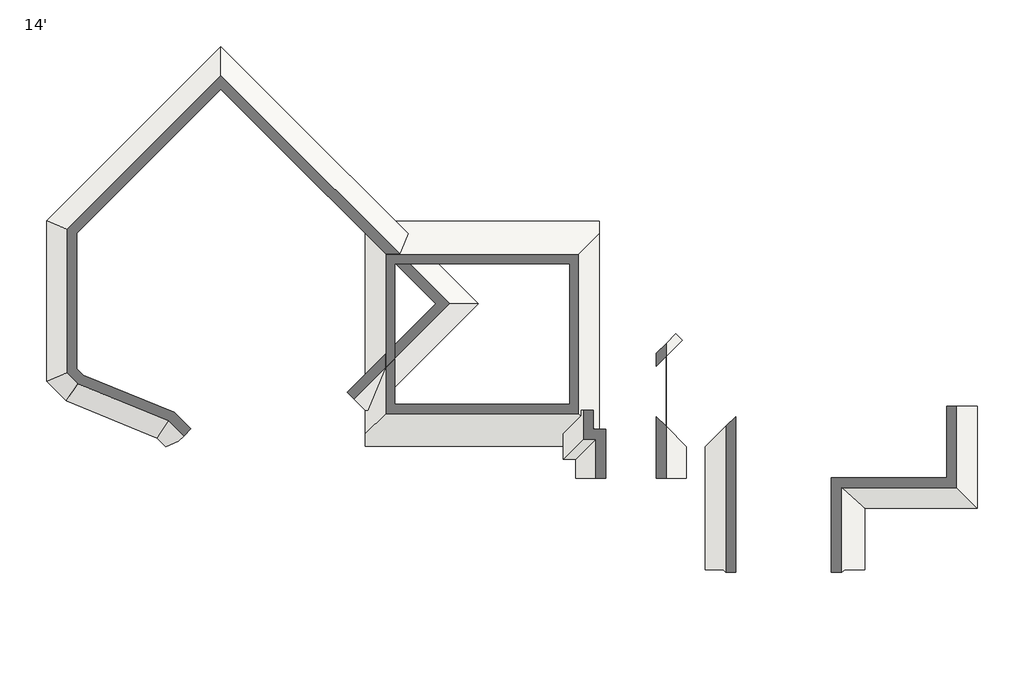
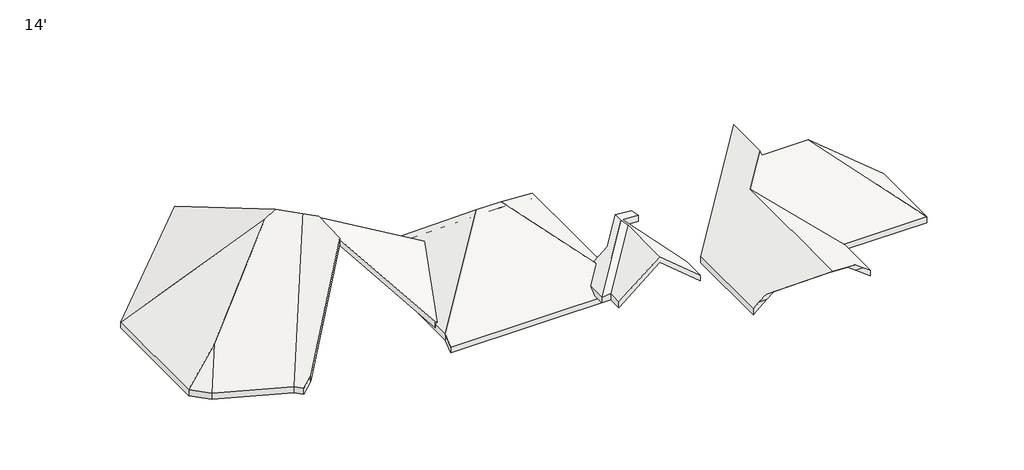
# One storey: 4 roofs.
"""IFC4 building model written with IfcOpenShell, lengths in millimetres."""

from ifc_helpers import new_model, si_unit, origin, place, context, project, spatial, faceted_brep, element, save

model = new_model("IFC4")

# Units and contexts
model_context = context("Model", 3, world=origin())
ifc_project = project(units=[si_unit("LENGTHUNIT", "METRE", prefix="MILLI")], contexts=[model_context])

# Site, building, storey
site = spatial("IfcSite", under=ifc_project)
building = spatial("IfcBuilding", under=site)
storey = spatial("IfcBuildingStorey", under=building, Name="14'", Elevation=4267.2)

# Roofs
placement = place(None, origin())
element("IfcRoof", 1, ObjectType="Generic - 12\"", at=placement, inside=storey, context=model_context, shape_type="Brep", body=[
    faceted_brep([(-20651.0139332, -5570.8700986, 4267.2), (-20651.0139332, -6180.4700986, 3759.2), (-31827.0139332, -6180.4700986, 3759.2), (-31827.0139332, -5570.8700986, 4267.2), (-27051.8139332, -795.6700986, 8246.5333333), (-25426.2139332, -795.6700986, 8246.5333333), (-20651.0139332, 3979.5299014, 4267.2), (-31827.0139332, 3979.5299014, 4267.2), (-20651.0139332, 4589.1299014, 3759.2), (-31827.0139332, 4589.1299014, 3759.2), (-20651.0139332, -6180.4700986, 4155.9606835), (-20651.0139332, -5570.8700986, 4663.9606835), (-25426.2139332, -795.6700986, 8643.2940169), (-27051.8139332, -795.6700986, 8643.2940169), (-31827.0139332, -5570.8700986, 4663.9606835), (-31827.0139332, -6180.4700986, 4155.9606835), (-20651.0139332, 3979.5299014, 4663.9606835), (-31827.0139332, 3979.5299014, 4663.9606835), (-20651.0139332, 4589.1299014, 4155.9606835), (-31827.0139332, 4589.1299014, 4155.9606835)], [[[0, 1, 2, 3, 4, 5]], [[0, 5, 6]], [[7, 4, 3]], [[8, 6, 5, 4, 7, 9]], [[10, 11, 12, 13, 14, 15]], [[11, 16, 12]], [[17, 14, 13]], [[16, 18, 19, 17, 13, 12]], [[6, 16, 11, 0]], [[9, 19, 18, 8]], [[3, 14, 17, 7]], [[1, 10, 15, 2]], [[17, 19, 9, 7]], [[11, 10, 1, 0]], [[18, 16, 6, 8]], [[15, 14, 3, 2]]]),
])
element("IfcRoof", 2, ObjectType="Generic - 12\"", at=placement, inside=storey, context=model_context, shape_type="Brep", body=[
    faceted_brep([(-10491.0139332, -1108.3380854, 8500.4731011), (-10491.0139332, -4035.8252652, 8500.4731011), (-11961.5022076, -5506.3135396, 7275.0662058), (-11961.5022076, -14353.8877038, 7275.0662058), (-14241.3888343, -12074.0010771, 5375.1606835), (-14717.5016546, -12074.0010771, 4978.4), (-15570.9416546, -12074.0010771, 4267.2), (-15570.9416546, -6188.2658068, 4267.2), (-2585.1267535, -4250.0700986, 4267.2), (-2585.1267535, -9115.7529866, 4267.2), (-7450.8096414, -4250.0700986, 8321.93574), (-7951.0139332, -9115.7529866, 4267.2), (-10491.0139332, -4250.0700986, 8321.93574), (-10491.0139332, -1108.3380854, 8897.2337847), (-15570.9416546, -6188.2658068, 4663.9606835), (-15570.9416546, -12074.0010771, 4663.9606835), (-15193.6144748, -12074.0010771, 4978.4), (-14717.5016546, -12074.0010771, 5375.1606835), (-11971.4563235, -14820.0464081, 7663.5317927), (-11971.4563235, -5516.2676555, 7663.5317927), (-10491.0139332, -4035.8252652, 8897.2337847), (-2566.2139332, -9134.6658068, 4648.2), (-2566.2139332, -4250.0700986, 4648.2), (-7450.8096414, -4250.0700986, 8718.6964235), (-7951.0139332, -9134.6658068, 4648.2), (-10491.0139332, -4250.0700986, 8718.6964235), (-2566.2139332, -9134.6658068, 4267.2), (-7951.0139332, -9134.6658068, 4267.2), (-2566.2139332, -4250.0700986, 4267.2), (-7951.0139332, -12074.0010771, 4267.2), (-8899.2805999, -12074.0010771, 4978.4), (-9428.2948446, -12074.0010771, 5375.1606835), (-7951.0139332, -12074.0010771, 4648.2), (-8920.2948446, -12074.0010771, 5375.1606835), (-8391.2805999, -12074.0010771, 4978.4)], [[[0, 1, 2, 3, 4, 5, 6, 7]], [[8, 9, 10]], [[9, 11, 2, 1, 12, 10]], [[13, 14, 15, 16, 17, 18, 19, 20]], [[21, 22, 23]], [[24, 21, 23, 25, 20, 19]], [[26, 21, 24, 27]], [[28, 22, 21, 26]], [[6, 15, 14, 7]], [[11, 27, 29, 30, 31, 3, 2]], [[32, 24, 19, 18, 33, 34]], [[27, 24, 32, 29]], [[28, 26, 27, 11, 9, 8]], [[16, 15, 6, 5]], [[32, 34, 30, 29]], [[34, 33, 31, 30]], [[33, 18, 17, 4, 3, 31]], [[17, 16, 5, 4]], [[25, 23, 22, 28, 8, 10, 12]], [[14, 13, 0, 7]], [[13, 20, 25, 12, 1, 0]]]),
])
element("IfcRoof", 3, ObjectType="Generic - 12\"", at=placement, inside=storey, context=model_context, shape_type="Brep", body=[
    faceted_brep([(-16485.4139332, -7711.8324662, 4267.2), (-19127.0139332, -7711.8324662, 6468.5333333), (-19127.0139332, -4155.8324662, 6468.5333333), (-19431.8139332, -3851.0324662, 6722.5333333), (-19431.8139332, -3241.4324662, 6722.5333333), (-16993.4139332, -803.0324662, 4690.5333333), (-16688.3972629, -1108.0491365, 4436.3527748), (-19127.0139332, -3546.6658068, 6468.5333333), (-16485.4139332, -6188.2658068, 4267.2), (-22378.2139332, -4460.6324662, 4267.2), (-20651.0139332, -4460.6324662, 5706.5333333), (-22378.2139332, -6797.4324662, 4267.2), (-21768.6139332, -6797.4324662, 4267.2), (-21768.6139332, -7711.8324662, 4267.2), (-16485.4139332, -7711.8324662, 4663.9606835), (-16485.4139332, -6188.2658068, 4663.9606835), (-19127.0139332, -3546.6658068, 6865.2940169), (-16688.3972629, -1108.0491365, 4833.1134583), (-16993.4139332, -803.0324662, 5087.2940169), (-19431.8139332, -3241.4324662, 7119.2940169), (-19431.8139332, -3851.0324662, 7119.2940169), (-19127.0139332, -4155.8324662, 6865.2940169), (-19127.0139332, -7711.8324662, 6865.2940169), (-20651.0139332, -4460.6324662, 6103.2940169), (-22378.2139332, -4460.6324662, 4663.9606835), (-22378.2139332, -6797.4324662, 4663.9606835), (-21768.6139332, -6797.4324662, 4663.9606835), (-21768.6139332, -7711.8324662, 4663.9606835)], [[[0, 1, 2, 3, 4, 5, 6, 7, 8]], [[9, 10, 4, 3, 11]], [[12, 11, 3, 2]], [[13, 12, 2, 1]], [[14, 15, 16, 17, 18, 19, 20, 21, 22]], [[23, 24, 25, 20, 19]], [[25, 26, 21, 20]], [[27, 22, 21, 26]], [[11, 25, 24, 9]], [[12, 26, 25, 11]], [[13, 27, 26, 12]], [[8, 15, 14, 0]], [[16, 15, 8, 7]], [[17, 16, 7, 6]], [[18, 17, 6, 5]], [[23, 19, 18, 5, 4, 10]], [[24, 23, 10, 9]], [[14, 22, 27, 13, 1, 0]]]),
])
element("IfcRoof", 4, ObjectType="Generic - 12\"", at=placement, inside=storey, context=model_context, shape_type="Brep", body=[
    faceted_brep([(-36920.2906988, 632.6442994, 10449.2893548), (-36933.9093456, 646.2629462, 10449.2893548), (-36787.9720193, 107.6087324, 10680.7), (-37437.769016, 757.4057291, 10680.7), (-38733.2181275, 1619.4223057, 10936.1025705), (-38733.2181275, 12936.9252592, 4267.2), (-26428.9371676, 632.6442994, 4267.2), (-39494.4839309, 1466.4848251, 10577.6416686), (-47067.0139332, 4603.1294535, 4267.2), (-36933.9093456, 646.2629462, 10846.0500383), (-36920.2906988, 632.6442994, 10846.0500383), (-26428.9371676, 632.6442994, 4663.9606835), (-38733.2181275, 12936.9252592, 4663.9606835), (-38733.2181275, 1619.4223057, 11332.863254), (-37437.769016, 757.4057291, 11077.4606835), (-36787.9720193, 107.6087324, 11077.4606835), (-47067.0139332, 4603.1294535, 4663.9606835), (-39494.4839309, 1466.4848251, 10974.4023522), (-31522.2139332, -4460.6324662, 4663.9606835), (-31827.0139332, -4460.6324662, 4843.565806), (-31827.0139332, -4460.6324662, 4446.8051224), (-31522.2139332, -4460.6324662, 4267.2), (-47067.0139332, -3055.151126, 4267.2), (-44889.1877388, -2153.0659797, 6082.055162), (-46119.7679723, -4002.3970869, 4267.2), (-41786.5052086, -5777.9284971, 4267.2), (-41379.2136526, -6185.2200531, 4267.2), (-36349.1137929, -1512.2156057, 9984.8090451), (-40769.6136526, -5932.7154655, 4775.2), (-47067.0139332, -3055.151126, 4663.9606835), (-46119.7679723, -4002.3970869, 4663.9606835), (-44889.1877388, -2153.0659797, 6478.8158455), (-41786.5052086, -5777.9284971, 4663.9606835), (-41379.2136526, -6185.2200531, 4663.9606835), (-40769.6136526, -5932.7154655, 5171.9606835), (-36349.1137929, -1512.2156057, 10381.5697286)], [[[0, 1, 2, 3, 4, 5, 6]], [[5, 4, 7, 8]], [[9, 10, 11, 12, 13, 14, 15]], [[12, 16, 17, 13]], [[5, 12, 11, 6]], [[8, 16, 12, 5]], [[18, 19, 20, 21]], [[21, 20, 0, 6]], [[19, 18, 11, 10]], [[6, 11, 18, 21]], [[19, 10, 9, 1, 0, 20]], [[22, 23, 24]], [[24, 23, 7, 4, 3, 25]], [[8, 7, 23, 22]], [[26, 25, 3, 2, 27, 28]], [[29, 30, 31]], [[30, 32, 14, 13, 17, 31]], [[16, 29, 31, 17]], [[32, 33, 34, 35, 15, 14]], [[22, 29, 16, 8]], [[24, 30, 29, 22]], [[25, 32, 30, 24]], [[26, 33, 32, 25]], [[35, 34, 28, 27]], [[9, 15, 35, 27, 2, 1]], [[34, 33, 26, 28]]]),
])

save(model, "model.ifc")
